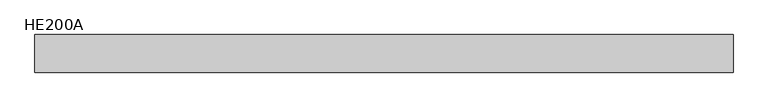
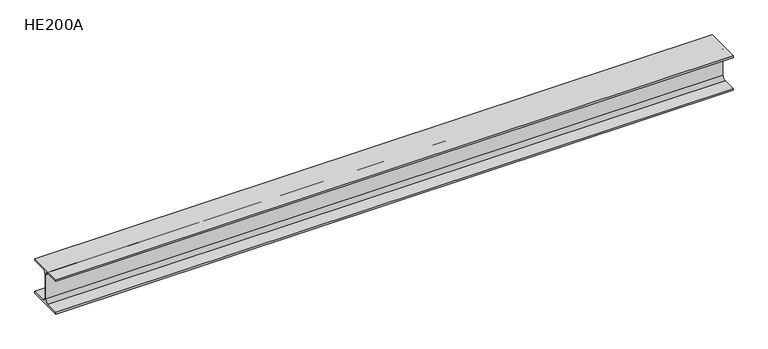
"""IFC4 building model written with IfcOpenShell, lengths in millimetres: beam geometry, HE200A."""

from ifc_helpers import new_model, si_unit, point, frame, frame_2d, origin, place, context, project, spatial, polyline, circle_curve, trimmed, segment, composite_curve, outline, extrude, source, transform, mapped, element, save


def he200a_828fcbeb(model_context):
    return source(origin(), model_context, "Body", "SweptSolid", [
        extrude(outline(composite_curve([segment(polyline([(100.0, -90.0), (100.0, -100.0), (-100.0, -100.0), (-100.0, -90.0), (-24.0, -90.0)]), True, "CONTINUOUS"), segment(trimmed(circle_curve(frame_2d((-24.0, -70.0)), 20.0), [point((-24.0, -90.0))], [point((-4.0, -70.0))], True, "CARTESIAN"), True, "CONTINUOUS"), segment(polyline([(-4.0, -70.0), (-4.0, 70.0)]), True, "CONTINUOUS"), segment(trimmed(circle_curve(frame_2d((-24.0, 70.0)), 20.0), [point((-4.0, 70.0))], [point((-24.0, 90.0))], True, "CARTESIAN"), True, "CONTINUOUS"), segment(polyline([(-24.0, 90.0), (-100.0, 90.0), (-100.0, 100.0), (100.0, 100.0), (100.0, 90.0), (24.0, 90.0)]), True, "CONTINUOUS"), segment(trimmed(circle_curve(frame_2d((24.0, 70.0)), 20.0), [point((24.0, 90.0))], [point((4.0, 70.0))], True, "CARTESIAN"), True, "CONTINUOUS"), segment(polyline([(4.0, 70.0), (4.0, -70.0)]), True, "CONTINUOUS"), segment(trimmed(circle_curve(frame_2d((24.0, -70.0)), 20.0), [point((4.0, -70.0))], [point((24.0, -90.0))], True, "CARTESIAN"), True, "CONTINUOUS"), segment(polyline([(24.0, -90.0), (100.0, -90.0)]), True, "CONTINUOUS")], self_intersect=False)), frame((-1915.5, 0.0, 0.0), z_axis=(1.0, 0.0, 0.0), x_axis=(0.0, 1.0, 0.0)), (0.0, 0.0, 1.0), 3711.0),
    ])


if __name__ == "__main__":
    model = new_model("IFC4")
    model_context = context("Model", 3, world=origin())
    ifc_project = project(units=[si_unit("LENGTHUNIT", "METRE", prefix="MILLI")], contexts=[model_context])
    site = spatial("IfcSite", under=ifc_project)
    building = spatial("IfcBuilding", under=site)
    placement = place(None, origin())
    he200a_shape = he200a_828fcbeb(model_context)
    element("IfcBeam", 1, ObjectType="HE200A", at=placement, inside=building, context=model_context, shape_type="MappedRepresentation", body=[
        mapped(he200a_shape, transform((0.0, 0.0, 0.0), x_axis=(1.0, 0.0, 0.0), y_axis=(0.0, 1.0, 0.0), z_axis=(0.0, 0.0, 1.0))),
    ])
    save(model, "model.ifc")
